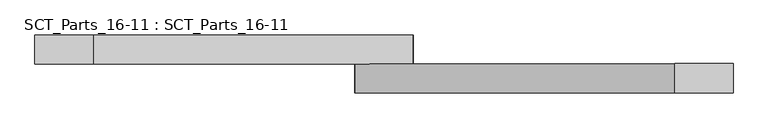
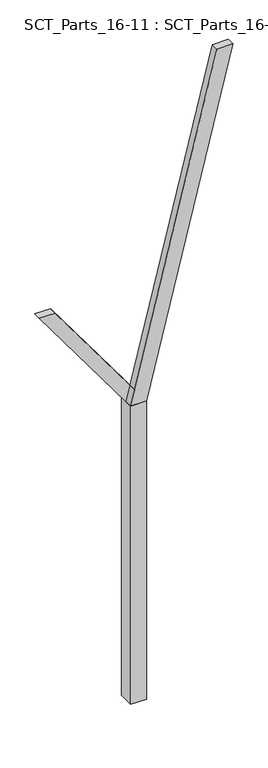
"""IFC4 building model written with IfcOpenShell, lengths in millimetres: proxy geometry, SCT_Parts_16-11 : SCT_Parts_16-11."""

from ifc_helpers import new_model, si_unit, frame, origin, origin_with_axes, place, context, project, spatial, polyline, outline, extrude, source, transform, mapped, element, save


def sct_parts_16_11_sct_parts_16_11_c5705084(model_context):
    return source(origin(), model_context, "Body", "SweptSolid", [
        extrude(outline(polyline([(4000.0, 200.0), (8400.0, 1300.0), (8400.0, 1100.0), (4000.0, 0.0), (4000.0, 200.0)])), frame((0.0, -200.0, 0.0), z_axis=(0.0, 1.0, 0.0), x_axis=(0.0, 0.0, 1.0)), (0.0, 0.0, 1.0), 100.0),
        extrude(outline(polyline([(4000.0, 0.0), (4000.0, 200.0), (5500.0, -900.0), (5500.0, -1100.0), (4000.0, 0.0)])), frame((0.0, -100.0, 0.0), z_axis=(0.0, 1.0, 0.0), x_axis=(0.0, 0.0, 1.0)), (0.0, 0.0, 1.0), 100.0),
        extrude(outline(polyline([(200.0, -200.0), (0.0, -200.0), (0.0, 0.0), (200.0, 0.0), (200.0, -200.0)])), origin_with_axes(), (0.0, 0.0, 1.0), 4000.0),
    ])


if __name__ == "__main__":
    model = new_model("IFC4")
    model_context = context("Model", 3, world=origin())
    ifc_project = project(units=[si_unit("LENGTHUNIT", "METRE", prefix="MILLI")], contexts=[model_context])
    site = spatial("IfcSite", under=ifc_project)
    building = spatial("IfcBuilding", under=site)
    placement = place(None, origin())
    sct_parts_16_11_sct_parts_16_11_shape = sct_parts_16_11_sct_parts_16_11_c5705084(model_context)
    element("IfcBuildingElementProxy", 1, Name="SCT_Parts_16-11 : SCT_Parts_16-11", ObjectType="SCT_Parts_16-11 : SCT_Parts_16-11", at=placement, inside=building, context=model_context, shape_type="MappedRepresentation", body=[
        mapped(sct_parts_16_11_sct_parts_16_11_shape, transform((0.0, 0.0, 0.0), x_axis=(1.0, 0.0, 0.0), y_axis=(0.0, 1.0, 0.0), z_axis=(0.0, 0.0, 1.0))),
    ])
    save(model, "model.ifc")
